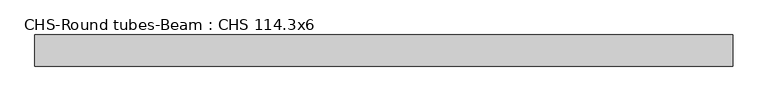
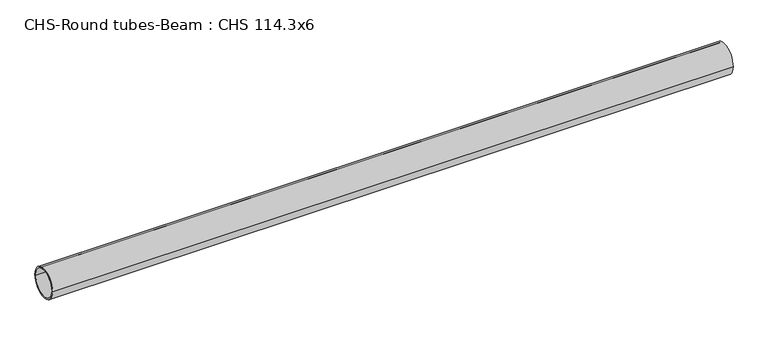
"""IFC4 building model written with IfcOpenShell, lengths in millimetres: beam geometry, CHS-Round tubes-Beam : CHS 114.3x6."""

from ifc_helpers import new_model, si_unit, point, frame, origin, origin_2d, place, context, project, spatial, circle_curve, trimmed, segment, composite_curve, outline, extrude, source, transform, mapped, element, save


def chs_round_tubes_beam_chs_114_3x6_eecb4c59(model_context):
    return source(origin(), model_context, "Body", "SweptSolid", [
        extrude(outline(composite_curve([segment(trimmed(circle_curve(origin_2d(), 57.15), [point((57.15, 0.0))], [point((-57.15, 0.0))], False, "CARTESIAN"), True, "CONTINUOUS"), segment(trimmed(circle_curve(origin_2d(), 57.15), [point((-57.15, 0.0))], [point((57.15, 0.0))], False, "CARTESIAN"), True, "CONTINUOUS")], self_intersect=False), holes=[composite_curve([segment(trimmed(circle_curve(origin_2d(), 51.15), [point((51.15, 0.0))], [point((-51.15, 0.0))], True, "CARTESIAN"), True, "CONTINUOUS"), segment(trimmed(circle_curve(origin_2d(), 51.15), [point((-51.15, 0.0))], [point((51.15, 0.0))], True, "CARTESIAN"), True, "CONTINUOUS")], self_intersect=False)]), frame((-1117.3690881, 0.0, 0.0), z_axis=(1.0, 0.0, 0.0), x_axis=(0.0, 1.0, 0.0)), (0.0, 0.0, 1.0), 2561.9853452),
    ])


if __name__ == "__main__":
    model = new_model("IFC4")
    model_context = context("Model", 3, world=origin())
    ifc_project = project(units=[si_unit("LENGTHUNIT", "METRE", prefix="MILLI")], contexts=[model_context])
    site = spatial("IfcSite", under=ifc_project)
    building = spatial("IfcBuilding", under=site)
    placement = place(None, origin())
    chs_round_tubes_beam_chs_114_3x6_shape = chs_round_tubes_beam_chs_114_3x6_eecb4c59(model_context)
    element("IfcBeam", 1, ObjectType="CHS-Round tubes-Beam : CHS 114.3x6", at=placement, inside=building, context=model_context, shape_type="MappedRepresentation", body=[
        mapped(chs_round_tubes_beam_chs_114_3x6_shape, transform((0.0, 0.0, 0.0), x_axis=(1.0, 0.0, 0.0), y_axis=(0.0, 1.0, 0.0), z_axis=(0.0, 0.0, 1.0))),
    ])
    save(model, "model.ifc")
